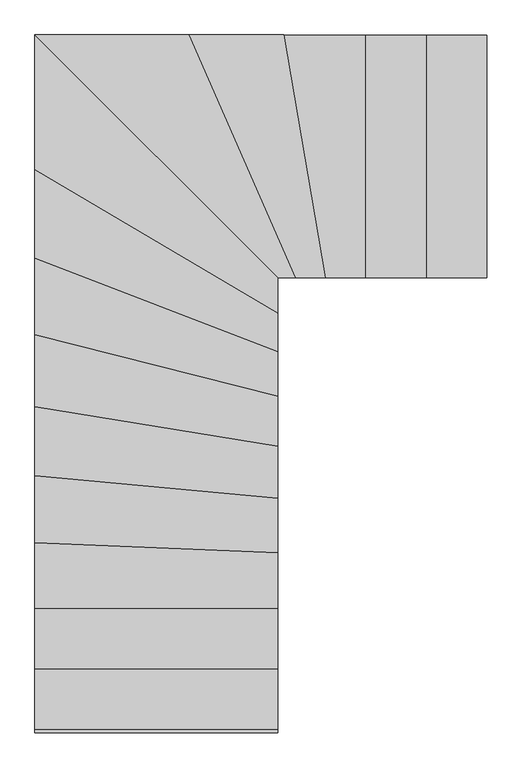
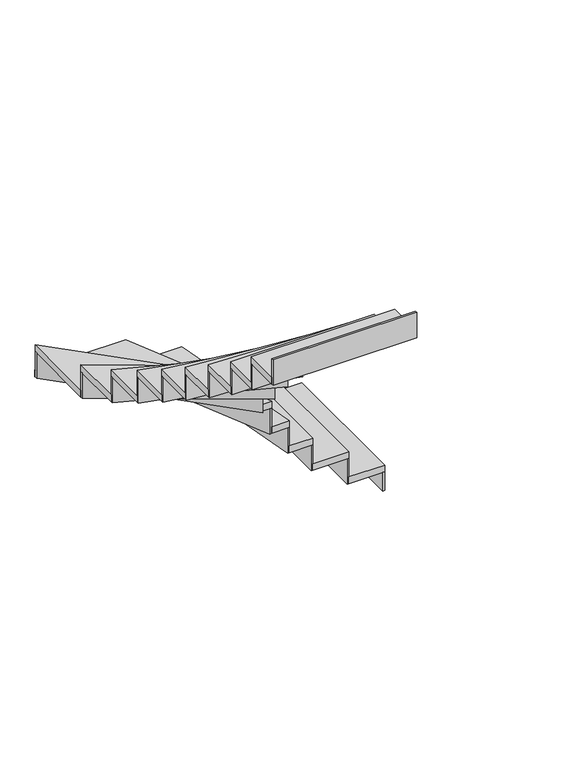
"""IFC4 building model written with IfcOpenShell, lengths in millimetres: stair flight geometry."""

from ifc_helpers import new_model, si_unit, frame, origin, origin_with_axes, place, context, project, spatial, polyline, outline, extrude, source, transform, mapped, element, save


def stair_flight_2c351cbe(model_context):
    return source(origin(), model_context, "Body", "SweptSolid", [
        extrude(outline(polyline([(-9897.8444298, 3564.3253756), (-9885.3444298, 3564.3253756), (-9885.3444298, 2564.3253756), (-9897.8444298, 2564.3253756), (-9897.8444298, 3564.3253756)])), origin_with_axes(), (0.0, 0.0, 1.0), 136.6666667),
        extrude(outline(polyline([(-10135.3444298, 2564.3253756), (-10135.3444298, 3564.3253756), (-9885.3444298, 3564.3253756), (-9885.3444298, 2564.3253756), (-10135.3444298, 2564.3253756)])), frame((0.0, 0.0, 136.6666667), z_axis=(0.0, 0.0, 1.0), x_axis=(1.0, 0.0, 0.0)), (0.0, 0.0, 1.0), 50.0),
        extrude(outline(polyline([(-10147.8444298, 3564.3253756), (-10135.3444298, 3564.3253756), (-10135.3444298, 2564.3253756), (-10147.8444298, 2564.3253756), (-10147.8444298, 3564.3253756)])), frame((0.0, 0.0, 136.6666667), z_axis=(0.0, 0.0, 1.0), x_axis=(1.0, 0.0, 0.0)), (0.0, 0.0, 1.0), 186.6666667),
        extrude(outline(polyline([(-10385.3444298, 2564.3253756), (-10385.3444298, 3564.3253756), (-10135.3444298, 3564.3253756), (-10135.3444298, 2564.3253756), (-10385.3444298, 2564.3253756)])), frame((0.0, 0.0, 323.3333333), z_axis=(0.0, 0.0, 1.0), x_axis=(1.0, 0.0, 0.0)), (0.0, 0.0, 1.0), 50.0),
        extrude(outline(polyline([(-10397.8444298, 3564.3253756), (-10385.3444298, 3564.3253756), (-10385.3444298, 2564.3253756), (-10397.8444298, 2564.3253756), (-10397.8444298, 3564.3253756)])), frame((0.0, 0.0, 323.3333333), z_axis=(0.0, 0.0, 1.0), x_axis=(1.0, 0.0, 0.0)), (0.0, 0.0, 1.0), 186.6666667),
        extrude(outline(polyline([(-10549.3908663, 2564.3253756), (-10721.2979934, 3564.3253756), (-10385.3444298, 3564.3253756), (-10385.3444298, 2564.3253756), (-10549.3908663, 2564.3253756)])), frame((0.0, 0.0, 510.0), z_axis=(0.0, 0.0, 1.0), x_axis=(1.0, 0.0, 0.0)), (0.0, 0.0, 1.0), 50.0),
        extrude(outline(polyline([(-10733.981349, 3564.3253756), (-10721.2979934, 3564.3253756), (-10549.3908663, 2564.3253756), (-10562.0742219, 2564.3253756), (-10733.981349, 3564.3253756)])), frame((0.0, 0.0, 510.0), z_axis=(0.0, 0.0, 1.0), x_axis=(1.0, 0.0, 0.0)), (0.0, 0.0, 1.0), 186.6666667),
        extrude(outline(polyline([(-10673.7563693, 2564.3253756), (-11112.6378732, 3564.3253756), (-10721.2979934, 3564.3253756), (-10549.3908663, 2564.3253756), (-10673.7563693, 2564.3253756)])), frame((0.0, 0.0, 696.6666667), z_axis=(0.0, 0.0, 1.0), x_axis=(1.0, 0.0, 0.0)), (0.0, 0.0, 1.0), 50.0),
        extrude(outline(polyline([(-11126.2887487, 3564.3253756), (-11112.6378732, 3564.3253756), (-10673.7563693, 2564.3253756), (-10687.4072449, 2564.3253756), (-11126.2887487, 3564.3253756)])), frame((0.0, 0.0, 696.6666667), z_axis=(0.0, 0.0, 1.0), x_axis=(1.0, 0.0, 0.0)), (0.0, 0.0, 1.0), 186.6666667),
        extrude(outline(polyline([(-10746.0271379, 2564.3253756), (-11745.7558601, 3562.2470258), (-11745.7558601, 3564.3253756), (-11112.6378732, 3564.3253756), (-10673.7563693, 2564.3253756), (-10746.0271379, 2564.3253756)])), frame((0.0, 0.0, 883.3333333), z_axis=(0.0, 0.0, 1.0), x_axis=(1.0, 0.0, 0.0)), (0.0, 0.0, 1.0), 50.0),
        extrude(outline(polyline([(-11745.7558601, 3544.5853258), (-11745.7558601, 3562.2470258), (-10745.7558601, 2564.0545881), (-10745.7558601, 2546.3928881), (-11745.7558601, 3544.5853258)])), frame((0.0, 0.0, 883.3333333), z_axis=(0.0, 0.0, 1.0), x_axis=(1.0, 0.0, 0.0)), (0.0, 0.0, 1.0), 186.6666667),
        extrude(outline(polyline([(-10745.7558601, 2418.0346002), (-11745.7558601, 3008.5643625), (-11745.7558601, 3562.2470258), (-10745.7558601, 2564.0545881), (-10745.7558601, 2418.0346002)])), frame((0.0, 0.0, 1070.0), z_axis=(0.0, 0.0, 1.0), x_axis=(1.0, 0.0, 0.0)), (0.0, 0.0, 1.0), 50.0),
        extrude(outline(polyline([(-11745.7558601, 2994.0475328), (-11745.7558601, 3008.5643625), (-10745.7558601, 2418.0346002), (-10745.7558601, 2403.5177705), (-11745.7558601, 2994.0475328)])), frame((0.0, 0.0, 1070.0), z_axis=(0.0, 0.0, 1.0), x_axis=(1.0, 0.0, 0.0)), (0.0, 0.0, 1.0), 186.6666667),
        extrude(outline(polyline([(-10745.7558601, 2260.4817741), (-11745.7558601, 2644.8150284), (-11745.7558601, 3008.5643625), (-10745.7558601, 2418.0346002), (-10745.7558601, 2260.4817741)])), frame((0.0, 0.0, 1256.6666667), z_axis=(0.0, 0.0, 1.0), x_axis=(1.0, 0.0, 0.0)), (0.0, 0.0, 1.0), 50.0),
        extrude(outline(polyline([(-11745.7558601, 2631.423613), (-11745.7558601, 2644.8150284), (-10745.7558601, 2260.4817741), (-10745.7558601, 2247.0903586), (-11745.7558601, 2631.423613)])), frame((0.0, 0.0, 1256.6666667), z_axis=(0.0, 0.0, 1.0), x_axis=(1.0, 0.0, 0.0)), (0.0, 0.0, 1.0), 186.6666667),
        extrude(outline(polyline([(-10745.7558601, 2075.9584489), (-11745.7558601, 2329.3383536), (-11745.7558601, 2644.8150284), (-10745.7558601, 2260.4817741), (-10745.7558601, 2075.9584489)])), frame((0.0, 0.0, 1443.3333333), z_axis=(0.0, 0.0, 1.0), x_axis=(1.0, 0.0, 0.0)), (0.0, 0.0, 1.0), 50.0),
        extrude(outline(polyline([(-11745.7558601, 2316.4433366), (-11745.7558601, 2329.3383536), (-10745.7558601, 2075.9584489), (-10745.7558601, 2063.0634318), (-11745.7558601, 2316.4433366)])), frame((0.0, 0.0, 1443.3333333), z_axis=(0.0, 0.0, 1.0), x_axis=(1.0, 0.0, 0.0)), (0.0, 0.0, 1.0), 186.6666667),
        extrude(outline(polyline([(-10745.7558601, 1871.8451093), (-11745.7558601, 2033.4516932), (-11745.7558601, 2329.3383536), (-10745.7558601, 2075.9584489), (-10745.7558601, 1871.8451093)])), frame((0.0, 0.0, 1630.0), z_axis=(0.0, 0.0, 1.0), x_axis=(1.0, 0.0, 0.0)), (0.0, 0.0, 1.0), 50.0),
        extrude(outline(polyline([(-11745.7558601, 2020.7895159), (-11745.7558601, 2033.4516932), (-10745.7558601, 1871.8451093), (-10745.7558601, 1859.1829321), (-11745.7558601, 2020.7895159)])), frame((0.0, 0.0, 1630.0), z_axis=(0.0, 0.0, 1.0), x_axis=(1.0, 0.0, 0.0)), (0.0, 0.0, 1.0), 186.6666667),
        extrude(outline(polyline([(-10745.7558601, 1655.7894256), (-11745.7558601, 1749.5073769), (-11745.7558601, 2033.4516932), (-10745.7558601, 1871.8451093), (-10745.7558601, 1655.7894256)])), frame((0.0, 0.0, 1816.6666667), z_axis=(0.0, 0.0, 1.0), x_axis=(1.0, 0.0, 0.0)), (0.0, 0.0, 1.0), 50.0),
        extrude(outline(polyline([(-11745.7558601, 1736.9526028), (-11745.7558601, 1749.5073769), (-10745.7558601, 1655.7894256), (-10745.7558601, 1643.2346515), (-11745.7558601, 1736.9526028)])), frame((0.0, 0.0, 1816.6666667), z_axis=(0.0, 0.0, 1.0), x_axis=(1.0, 0.0, 0.0)), (0.0, 0.0, 1.0), 186.6666667),
        extrude(outline(polyline([(-10745.7558601, 1431.9167027), (-11745.7558601, 1473.3800998), (-11745.7558601, 1749.5073769), (-10745.7558601, 1655.7894256), (-10745.7558601, 1431.9167027)])), frame((0.0, 0.0, 2003.3333333), z_axis=(0.0, 0.0, 1.0), x_axis=(1.0, 0.0, 0.0)), (0.0, 0.0, 1.0), 50.0),
        extrude(outline(polyline([(-11745.7558601, 1460.8693593), (-11745.7558601, 1473.3800998), (-10745.7558601, 1431.9167027), (-10745.7558601, 1419.4059622), (-11745.7558601, 1460.8693593)])), frame((0.0, 0.0, 2003.3333333), z_axis=(0.0, 0.0, 1.0), x_axis=(1.0, 0.0, 0.0)), (0.0, 0.0, 1.0), 186.6666667),
        extrude(outline(polyline([(-10745.7558601, 1202.6484012), (-11745.7558601, 1202.6484012), (-11745.7558601, 1473.3800998), (-10745.7558601, 1431.9167027), (-10745.7558601, 1202.6484012)])), frame((0.0, 0.0, 2190.0), z_axis=(0.0, 0.0, 1.0), x_axis=(1.0, 0.0, 0.0)), (0.0, 0.0, 1.0), 50.0),
        extrude(outline(polyline([(-11745.7558601, 1190.1484012), (-11745.7558601, 1202.6484012), (-10745.7558601, 1202.6484012), (-10745.7558601, 1190.1484012), (-11745.7558601, 1190.1484012)])), frame((0.0, 0.0, 2190.0), z_axis=(0.0, 0.0, 1.0), x_axis=(1.0, 0.0, 0.0)), (0.0, 0.0, 1.0), 186.6666667),
        extrude(outline(polyline([(-10745.7558601, 952.6484012), (-11745.7558601, 952.6484012), (-11745.7558601, 1202.6484012), (-10745.7558601, 1202.6484012), (-10745.7558601, 952.6484012)])), frame((0.0, 0.0, 2376.6666667), z_axis=(0.0, 0.0, 1.0), x_axis=(1.0, 0.0, 0.0)), (0.0, 0.0, 1.0), 50.0),
        extrude(outline(polyline([(-11745.7558601, 940.1484012), (-11745.7558601, 952.6484012), (-10745.7558601, 952.6484012), (-10745.7558601, 940.1484012), (-11745.7558601, 940.1484012)])), frame((0.0, 0.0, 2376.6666667), z_axis=(0.0, 0.0, 1.0), x_axis=(1.0, 0.0, 0.0)), (0.0, 0.0, 1.0), 186.6666667),
        extrude(outline(polyline([(-11745.7558601, 690.1484012), (-11745.7558601, 702.6484012), (-10745.7558601, 702.6484012), (-10745.7558601, 690.1484012), (-11745.7558601, 690.1484012)])), frame((0.0, 0.0, 2563.3333333), z_axis=(0.0, 0.0, 1.0), x_axis=(1.0, 0.0, 0.0)), (0.0, 0.0, 1.0), 186.6666667),
        extrude(outline(polyline([(-10745.7558601, 702.6484012), (-11745.7558601, 702.6484012), (-11745.7558601, 952.6484012), (-10745.7558601, 952.6484012), (-10745.7558601, 702.6484012)])), frame((0.0, 0.0, 2563.3333333), z_axis=(0.0, 0.0, 1.0), x_axis=(1.0, 0.0, 0.0)), (0.0, 0.0, 1.0), 50.0),
    ])


if __name__ == "__main__":
    model = new_model("IFC4")
    model_context = context("Model", 3, world=origin())
    ifc_project = project(units=[si_unit("LENGTHUNIT", "METRE", prefix="MILLI")], contexts=[model_context])
    site = spatial("IfcSite", under=ifc_project)
    building = spatial("IfcBuilding", under=site)
    placement = place(None, origin())
    stair_flight_shape = stair_flight_2c351cbe(model_context)
    element("IfcStairFlight", 1, at=placement, inside=building, context=model_context, shape_type="MappedRepresentation", body=[
        mapped(stair_flight_shape, transform((0.0, 0.0, 0.0), x_axis=(1.0, 0.0, 0.0), y_axis=(0.0, 1.0, 0.0), z_axis=(0.0, 0.0, 1.0))),
    ])
    save(model, "model.ifc")
